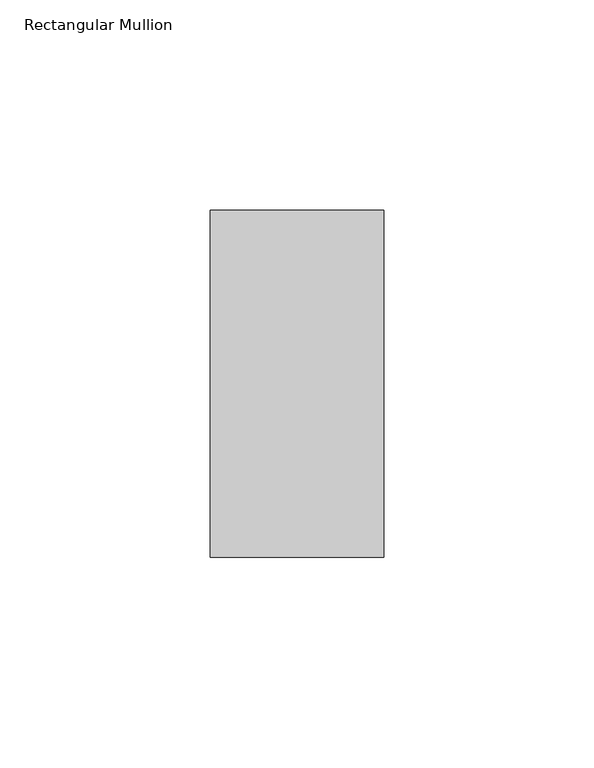
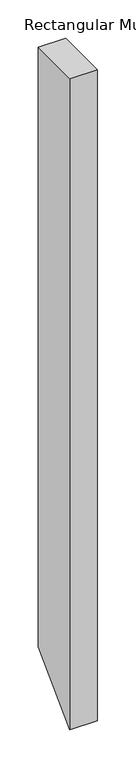
"""IFC4 building model written with IfcOpenShell, lengths in millimetres: member geometry, Rectangular Mullion."""

from ifc_helpers import new_model, si_unit, frame, origin, place, context, project, spatial, polyline, outline, extrude, source, transform, mapped, element, save


def rectangular_mullion_1070f16e(model_context):
    return source(origin(), model_context, "Body", "SweptSolid", [
        extrude(outline(polyline([(-9.525, 0.0), (73.025, 0.0), (73.025, -955.675), (-9.525, -1038.225), (-9.525, 0.0)])), frame((-41.275, 0.0, 0.0), z_axis=(1.0, 0.0, 0.0), x_axis=(0.0, 1.0, 0.0)), (0.0, 0.0, 1.0), 41.275),
    ])


if __name__ == "__main__":
    model = new_model("IFC4")
    model_context = context("Model", 3, world=origin())
    ifc_project = project(units=[si_unit("LENGTHUNIT", "METRE", prefix="MILLI")], contexts=[model_context])
    site = spatial("IfcSite", under=ifc_project)
    building = spatial("IfcBuilding", under=site)
    placement = place(None, origin())
    rectangular_mullion_shape = rectangular_mullion_1070f16e(model_context)
    element("IfcMember", 1, ObjectType="Rectangular Mullion", at=placement, inside=building, context=model_context, shape_type="MappedRepresentation", body=[
        mapped(rectangular_mullion_shape, transform((0.0, 0.0, 0.0), x_axis=(1.0, 0.0, 0.0), y_axis=(0.0, 1.0, 0.0), z_axis=(0.0, 0.0, 1.0))),
    ])
    save(model, "model.ifc")
